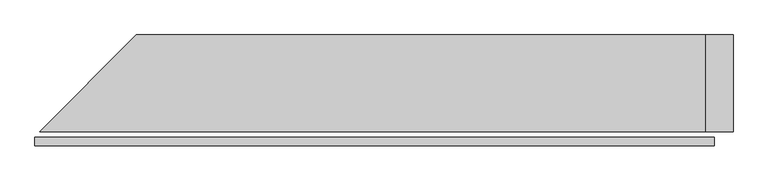
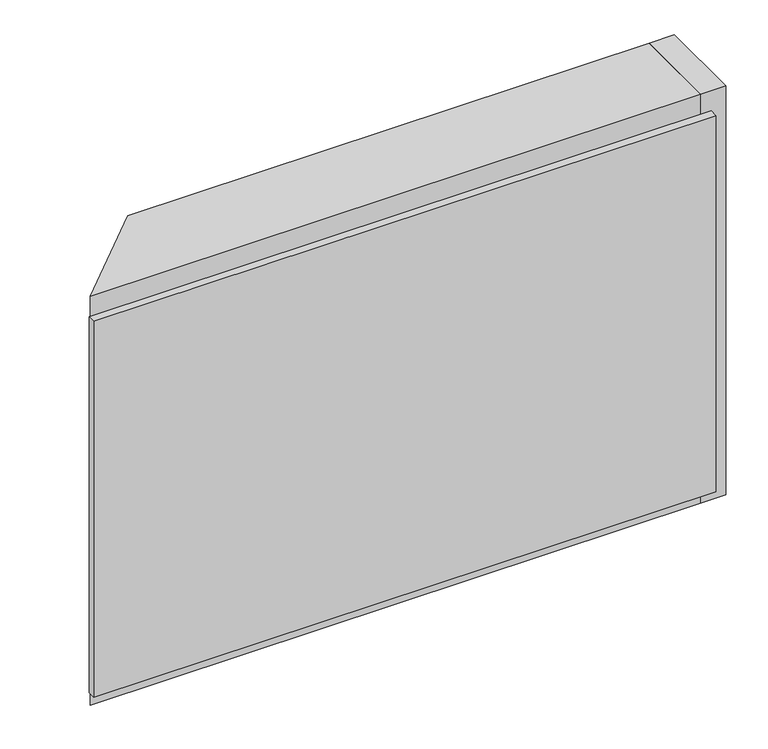
"""IFC4 building model written with IfcOpenShell, lengths in millimetres: plate geometry."""

from ifc_helpers import new_model, si_unit, frame, origin, origin_with_axes, place, context, project, spatial, polyline, outline, extrude, source, transform, mapped, element, save


def plate_69506365(model_context):
    return source(origin(), model_context, "Body", "SweptSolid", [
        extrude(outline(polyline([(981.5, 0.0), (-981.5, 0.0), (-981.5, 25.0), (981.5, 25.0), (981.5, 0.0)])), origin_with_axes(), (0.0, 0.0, 1.0), 1254.465707),
        extrude(outline(polyline([(956.5, 281.0), (956.5, 41.0), (-967.9314575, 41.0), (-727.9314575, 281.0), (956.5, 281.0)])), frame((0.0, 0.0, -55.0), z_axis=(0.0, 0.0, 1.0), x_axis=(1.0, 0.0, 0.0)), (0.0, 0.0, 1.0), 80.0),
        extrude(outline(polyline([(956.5, 321.0), (956.5, 41.0), (-967.9314575, 41.0), (-687.9314575, 321.0), (956.5, 321.0)])), frame((0.0, 0.0, 1229.465707), z_axis=(0.0, 0.0, 1.0), x_axis=(1.0, 0.0, 0.0)), (0.0, 0.0, 1.0), 80.0),
        extrude(outline(polyline([(1036.5, 41.0), (956.5, 41.0), (956.5, 321.0), (1036.5, 321.0), (1036.5, 41.0)])), frame((0.0, 0.0, -55.0), z_axis=(0.0, 0.0, 1.0), x_axis=(1.0, 0.0, 0.0)), (0.0, 0.0, 1.0), 1364.465707),
    ])


if __name__ == "__main__":
    model = new_model("IFC4")
    model_context = context("Model", 3, world=origin())
    ifc_project = project(units=[si_unit("LENGTHUNIT", "METRE", prefix="MILLI")], contexts=[model_context])
    site = spatial("IfcSite", under=ifc_project)
    building = spatial("IfcBuilding", under=site)
    placement = place(None, origin())
    plate_shape = plate_69506365(model_context)
    element("IfcPlate", 1, at=placement, inside=building, context=model_context, shape_type="MappedRepresentation", body=[
        mapped(plate_shape, transform((0.0, 0.0, 0.0), x_axis=(1.0, 0.0, 0.0), y_axis=(0.0, 1.0, 0.0), z_axis=(0.0, 0.0, 1.0))),
    ])
    save(model, "model.ifc")
